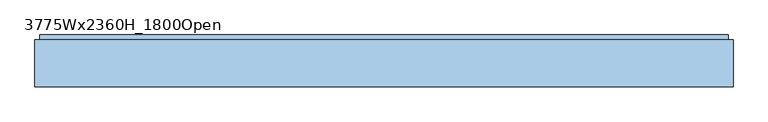
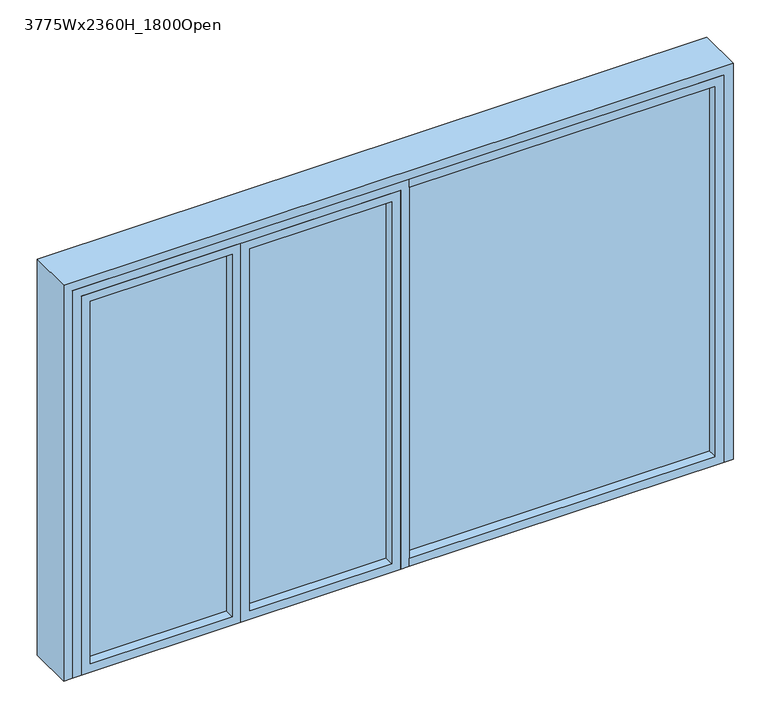
"""IFC4 building model written with IfcOpenShell, lengths in millimetres: window geometry, 3775Wx2360H_1800Open."""

from ifc_helpers import new_model, si_unit, frame, origin, origin_with_axes, place, context, project, spatial, polyline, outline, extrude, faceted_brep, source, transform, mapped, element, save


def window_3775wx2360h_1800open_64276398(model_context):
    return source(origin(), model_context, "Body", "SolidModel", [
        faceted_brep([(-1837.5, 272.0, 0.0), (-1837.5, -8.0, 0.0), (-1887.5, -8.0, 0.0), (-1887.5, 247.0, 0.0), (-1862.5, 247.0, 0.0), (-1862.5, 272.0, 0.0), (1862.5, 272.0, 0.0), (1862.5, 247.0, 0.0), (1887.5, 247.0, 0.0), (1887.5, -8.0, 0.0), (1837.5, -8.0, 0.0), (1837.5, 272.0, 0.0), (-1837.5, 272.0, 2310.0), (-1837.5, -8.0, 2310.0), (-1887.5, -8.0, 2360.0), (1837.5, -8.0, 2310.0), (1887.5, -8.0, 2360.0), (-1887.5, 247.0, 2360.0), (1887.5, 247.0, 2360.0), (1862.5, 247.0, 2335.0), (-1862.5, 247.0, 2335.0), (-1862.5, 272.0, 2335.0), (1862.5, 272.0, 2335.0), (1837.5, 272.0, 2310.0)], [[[0, 1, 2, 3, 4, 5]], [[6, 7, 8, 9, 10, 11]], [[1, 0, 12, 13]], [[14, 2, 1, 13, 15, 10, 9, 16]], [[17, 3, 2, 14]], [[4, 3, 17, 18, 8, 7, 19, 20]], [[5, 4, 20, 21]], [[0, 5, 21, 22, 6, 11, 23, 12]], [[19, 7, 6, 22]], [[16, 9, 8, 18]], [[11, 10, 15, 23]], [[19, 22, 21, 20]], [[12, 23, 15, 13]], [[18, 17, 14, 16]]]),
        extrude(outline(polyline([(0.0, 1837.5), (2310.0, 1837.5), (2310.0, 62.5), (2260.0, 62.5), (2260.0, 1787.5), (50.0, 1787.5), (50.0, 62.5), (0.0, 62.5), (0.0, 1837.5)])), frame((0.0, -8.0, 0.0), z_axis=(0.0, 1.0, 0.0), x_axis=(0.0, 0.0, 1.0)), (0.0, 0.0, 1.0), 100.0),
        extrude(outline(polyline([(2310.0, 62.5), (2310.0, -1837.5), (0.0, -1837.5), (0.0, -1787.5), (2260.0, -1787.5), (2260.0, 12.5), (0.0, 12.5), (0.0, 62.5), (2310.0, 62.5)])), frame((0.0, -8.0, 0.0), z_axis=(0.0, 1.0, 0.0), x_axis=(0.0, 0.0, 1.0)), (0.0, 0.0, 1.0), 100.0),
        extrude(outline(polyline([(1787.5, 67.0), (1787.5, 49.0), (62.5, 49.0), (62.5, 67.0), (1787.5, 67.0)])), frame((0.0, 0.0, 50.0), z_axis=(0.0, 0.0, 1.0), x_axis=(1.0, 0.0, 0.0)), (0.0, 0.0, 1.0), 2210.0),
        extrude(outline(polyline([(-37.5, 67.0), (-37.5, 49.0), (-837.5, 49.0), (-837.5, 67.0), (-37.5, 67.0)])), frame((0.0, 0.0, 50.0), z_axis=(0.0, 0.0, 1.0), x_axis=(1.0, 0.0, 0.0)), (0.0, 0.0, 1.0), 2160.0),
        extrude(outline(polyline([(-937.5, 67.0), (-937.5, 49.0), (-1737.5, 49.0), (-1737.5, 67.0), (-937.5, 67.0)])), frame((0.0, 0.0, 50.0), z_axis=(0.0, 0.0, 1.0), x_axis=(1.0, 0.0, 0.0)), (0.0, 0.0, 1.0), 2160.0),
        extrude(outline(polyline([(2260.0, -887.5), (0.0, -887.5), (0.0, 12.5), (2260.0, 12.5), (2260.0, -887.5)]), holes=[polyline([(2210.0, -837.5), (2210.0, -37.5), (50.0, -37.5), (50.0, -837.5), (2210.0, -837.5)])]), frame((0.0, -8.0, 0.0), z_axis=(0.0, 1.0, 0.0), x_axis=(0.0, 0.0, 1.0)), (0.0, 0.0, 1.0), 100.0),
        extrude(outline(polyline([(2260.0, -887.5), (2260.0, -1787.5), (0.0, -1787.5), (0.0, -887.5), (2260.0, -887.5)]), holes=[polyline([(2210.0, -937.5), (50.0, -937.5), (50.0, -1737.5), (2210.0, -1737.5), (2210.0, -937.5)])]), frame((0.0, -8.0, 0.0), z_axis=(0.0, 1.0, 0.0), x_axis=(0.0, 0.0, 1.0)), (0.0, 0.0, 1.0), 100.0),
        extrude(outline(polyline([(1837.5, 92.0), (-1837.5, 92.0), (-1837.5, 272.0), (1837.5, 272.0), (1837.5, 92.0)])), origin_with_axes(), (0.0, 0.0, 1.0), 10.0),
    ])


if __name__ == "__main__":
    model = new_model("IFC4")
    model_context = context("Model", 3, world=origin())
    ifc_project = project(units=[si_unit("LENGTHUNIT", "METRE", prefix="MILLI")], contexts=[model_context])
    site = spatial("IfcSite", under=ifc_project)
    building = spatial("IfcBuilding", under=site)
    placement = place(None, origin())
    window_3775wx2360h_1800open_shape = window_3775wx2360h_1800open_64276398(model_context)
    element("IfcWindow", 1, ObjectType="3775Wx2360H_1800Open", at=placement, inside=building, context=model_context, shape_type="MappedRepresentation", body=[
        mapped(window_3775wx2360h_1800open_shape, transform((0.0, 0.0, 0.0), x_axis=(1.0, 0.0, 0.0), y_axis=(0.0, 1.0, 0.0), z_axis=(0.0, 0.0, 1.0))),
    ])
    save(model, "model.ifc")
